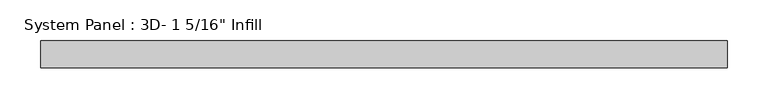
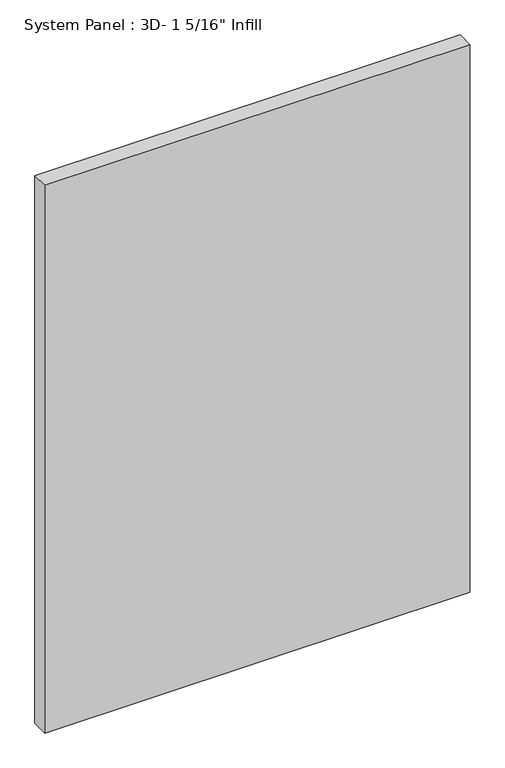
"""IFC4 building model written with IfcOpenShell, lengths in millimetres: plate geometry."""

from ifc_helpers import new_model, si_unit, origin, origin_with_axes, place, context, project, spatial, polyline, outline, extrude, source, transform, mapped, element, save


def plate_412042dd(model_context):
    return source(origin(), model_context, "Body", "SweptSolid", [
        extrude(outline(polyline([(420.6875, -16.66875), (-420.6875, -16.66875), (-420.6875, 16.66875), (420.6875, 16.66875), (420.6875, -16.66875)])), origin_with_axes(), (0.0, 0.0, 1.0), 1146.1010889),
    ])


if __name__ == "__main__":
    model = new_model("IFC4")
    model_context = context("Model", 3, world=origin())
    ifc_project = project(units=[si_unit("LENGTHUNIT", "METRE", prefix="MILLI")], contexts=[model_context])
    site = spatial("IfcSite", under=ifc_project)
    building = spatial("IfcBuilding", under=site)
    placement = place(None, origin())
    plate_shape = plate_412042dd(model_context)
    element("IfcPlate", 1, ObjectType="System Panel : 3D- 1 5/16\" Infill", at=placement, inside=building, context=model_context, shape_type="MappedRepresentation", body=[
        mapped(plate_shape, transform((0.0, 0.0, 0.0), x_axis=(1.0, 0.0, 0.0), y_axis=(0.0, 1.0, 0.0), z_axis=(0.0, 0.0, 1.0))),
    ])
    save(model, "model.ifc")
